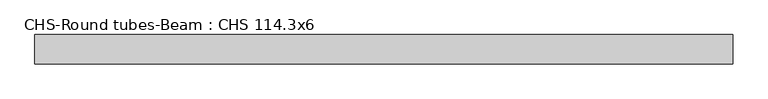
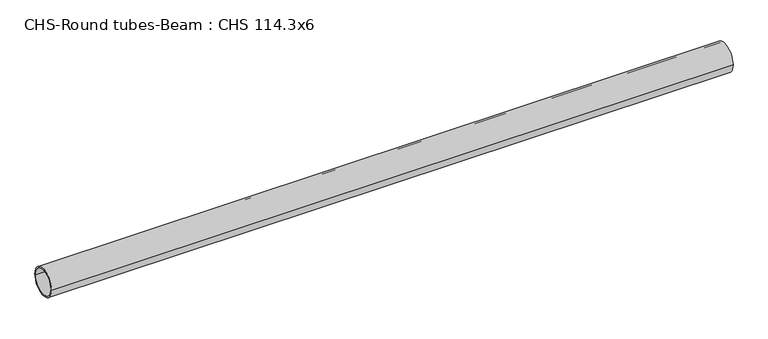
"""IFC4 building model written with IfcOpenShell, lengths in millimetres: beam geometry, CHS-Round tubes-Beam : CHS 114.3x6."""

import ifcopenshell
import ifcopenshell.guid

model = None  # the IFC model being written
_history = None  # IfcOwnerHistory: only IFC2X3 demands one
_inside = {}  # id of a spatial element -> (the spatial element, [elements in it])
_under = {}  # id of a project, library or spatial element -> (it, [spatial elements below it])
_declared = {}  # id of a project -> (the project, [libraries it declares])
_typed = {}  # id of a type object -> (the type object, [elements of that type])
_made_of = {}  # id of a material, layer set ... -> (it, [elements and type objects made of it])


def new_model(schema):
    """Start an empty IFC model of exactly this schema.

    Asked for "IFC4X3", IfcOpenShell would pick the latest addendum, in which some entities
    have other attributes; the version numbers below select the first issue.
    IFC2X3 requires an IfcOwnerHistory on every rooted entity: one is made here for all.
    """
    global model, _history
    if schema == "IFC4X3":
        model = ifcopenshell.file(schema_version=(4, 3, 0, 0))
    else:
        model = ifcopenshell.file(schema=schema)
    _inside.clear()
    _under.clear()
    _declared.clear()
    _typed.clear()
    _made_of.clear()
    _history = None
    if model.schema == "IFC2X3":
        org = make("IfcOrganization", Name="unknown")
        user = make(
            "IfcPersonAndOrganization",
            ThePerson=make("IfcPerson", FamilyName="unknown"),
            TheOrganization=org,
        )
        app = make(
            "IfcApplication",
            ApplicationDeveloper=org,
            Version="unknown",
            ApplicationFullName="unknown",
            ApplicationIdentifier="unknown",
        )
        _history = make(
            "IfcOwnerHistory",
            OwningUser=user,
            OwningApplication=app,
            ChangeAction="ADDED",
            CreationDate=0,
        )
    return model


def make(cls, **values):
    """One entity of the class cls with the attributes given. An attribute that is None is left unset."""
    return model.create_entity(
        cls, **{name: value for name, value in values.items() if value is not None}
    )


def rooted(cls, **values):
    """An entity with a GlobalId (a new one), such as an element, a storey or a relation."""
    return make(cls, GlobalId=ifcopenshell.guid.new(), OwnerHistory=_history, **values)


def si_unit(unit_type, name, prefix=None):
    """IfcSIUnit, for example si_unit("LENGTHUNIT", "METRE", prefix="MILLI")."""
    return make("IfcSIUnit", UnitType=unit_type, Prefix=prefix, Name=name)


def assignment(units):
    """IfcUnitAssignment: the units of a project."""
    return None if units is None else make("IfcUnitAssignment", Units=units)


def point(xyz):
    """IfcCartesianPoint."""
    return None if xyz is None else make("IfcCartesianPoint", Coordinates=xyz)


def direction(xyz):
    """IfcDirection."""
    return None if xyz is None else make("IfcDirection", DirectionRatios=xyz)


def frame(location, z_axis=None, x_axis=None):
    """IfcAxis2Placement3D, a coordinate frame: its origin and axes. An axis left out is left unset."""
    return make(
        "IfcAxis2Placement3D",
        Location=point(location),
        Axis=direction(z_axis),
        RefDirection=direction(x_axis),
    )


def frame_2d(location, x_axis=None):
    """IfcAxis2Placement2D, a coordinate frame in the plane: its origin and x axis."""
    return make(
        "IfcAxis2Placement2D", Location=point(location), RefDirection=direction(x_axis)
    )


def origin():
    """The frame at (0, 0, 0) with its axes left unset."""
    return frame((0.0, 0.0, 0.0))


def origin_2d():
    """The frame at (0, 0) in the plane with its x axis left unset."""
    return frame_2d((0.0, 0.0))


def place(relative_to, where):
    """IfcLocalPlacement: puts the frame where relative to a parent placement (None: the world)."""
    return make(
        "IfcLocalPlacement", PlacementRelTo=relative_to, RelativePlacement=where
    )


def context(
    kind, dimensions, precision=None, world=None, true_north=None, identifier=None
):
    """IfcGeometricRepresentationContext, for example the 3D "Model" context."""
    return make(
        "IfcGeometricRepresentationContext",
        ContextIdentifier=identifier,
        ContextType=kind,
        CoordinateSpaceDimension=dimensions,
        Precision=precision,
        WorldCoordinateSystem=world,
        TrueNorth=true_north,
    )


def project(units=None, contexts=None):
    """IfcProject with its units and contexts."""
    return rooted(
        "IfcProject",
        Name="project",
        RepresentationContexts=contexts,
        UnitsInContext=assignment(units),
    )


def spatial(cls, under=None, at=None, **own):
    """A site, building, storey or space (cls), placed at a placement, below another one or the project."""
    s = rooted(cls, ObjectPlacement=at, **own)
    if under is not None:
        _under.setdefault(under.id(), (under, []))[1].append(s)
    return s


def circle_curve(where, radius):
    """IfcCircle in the frame where."""
    return make("IfcCircle", Position=where, Radius=radius)


def trimmed(basis, trim1, trim2, sense, master):
    """IfcTrimmedCurve: the piece of a basis curve between two trims."""
    return make(
        "IfcTrimmedCurve",
        BasisCurve=basis,
        Trim1=trim1,
        Trim2=trim2,
        SenseAgreement=sense,
        MasterRepresentation=master,
    )


def segment(curve, same_sense, transition):
    """IfcCompositeCurveSegment."""
    return make(
        "IfcCompositeCurveSegment",
        Transition=transition,
        SameSense=same_sense,
        ParentCurve=curve,
    )


def composite_curve(segments, self_intersect=None):
    """IfcCompositeCurve: segments joined end to end."""
    return make("IfcCompositeCurve", Segments=segments, SelfIntersect=self_intersect)


def outline(outer, holes=None, kind="AREA"):
    """IfcArbitraryClosedProfileDef: a profile drawn as a closed curve; with holes, ...WithVoids."""
    if holes is None:
        return make("IfcArbitraryClosedProfileDef", ProfileType=kind, OuterCurve=outer)
    return make(
        "IfcArbitraryProfileDefWithVoids",
        ProfileType=kind,
        OuterCurve=outer,
        InnerCurves=holes,
    )


def extrude(swept, where, along, depth):
    """IfcExtrudedAreaSolid: the profile swept, set in the frame where, extruded along a direction by depth."""
    return make(
        "IfcExtrudedAreaSolid",
        SweptArea=swept,
        Position=where,
        ExtrudedDirection=direction(along),
        Depth=depth,
    )


def shape(context_of_items, identifier, shape_type, items):
    """IfcShapeRepresentation: the items that make up one representation, for example the "Body"."""
    return make(
        "IfcShapeRepresentation",
        ContextOfItems=context_of_items,
        RepresentationIdentifier=identifier,
        RepresentationType=shape_type,
        Items=items,
    )


def source(mapping_origin, context_of_items, identifier, shape_type, items):
    """IfcRepresentationMap: a shape defined once, which mapped items show again and again."""
    return make(
        "IfcRepresentationMap",
        MappingOrigin=mapping_origin,
        MappedRepresentation=shape(context_of_items, identifier, shape_type, items),
    )


def transform(
    local_origin,
    x_axis=None,
    y_axis=None,
    z_axis=None,
    scale=None,
    scale2=None,
    scale3=None,
    uniform=True,
):
    """IfcCartesianTransformationOperator3D, or its non-uniform kind. x_axis, y_axis, z_axis: its Axis1, 2, 3."""
    if uniform:
        return make(
            "IfcCartesianTransformationOperator3D",
            Axis1=direction(x_axis),
            Axis2=direction(y_axis),
            LocalOrigin=point(local_origin),
            Scale=scale,
            Axis3=direction(z_axis),
        )
    return make(
        "IfcCartesianTransformationOperator3DnonUniform",
        Axis1=direction(x_axis),
        Axis2=direction(y_axis),
        LocalOrigin=point(local_origin),
        Scale=scale,
        Axis3=direction(z_axis),
        Scale2=scale2,
        Scale3=scale3,
    )


def mapped(mapping_source, mapping_target):
    """IfcMappedItem: shows the shape of a source again, moved by a transform."""
    return make(
        "IfcMappedItem", MappingSource=mapping_source, MappingTarget=mapping_target
    )


def made_of(thing, what):
    """Note that an element or type object is made of a material, layer set ...; save() writes the relation."""
    if what is not None:
        _made_of.setdefault(what.id(), (what, []))[1].append(thing)
    return thing


def element(
    cls,
    number,
    at=None,
    inside=None,
    cuts=None,
    type_object=None,
    material=None,
    context=None,
    identifier="Body",
    shape_type=None,
    held_by="IfcProductDefinitionShape",
    body=None,
    shapes=None,
    **own,
):
    """One element of the class cls, such as IfcWall. Its Tag is "e" and its number.

    at: its placement. inside: the storey or other place that contains it. cuts: it is an
    opening in that element (IfcRelVoidsElement). A single representation is given by context,
    identifier, shape_type and body (its items); several are given by shapes. held_by: the class
    of the entity that holds the representations. save() writes the other relations.
    """
    e = rooted(cls, Tag="e%d" % number, ObjectPlacement=at, **own)
    if body is not None:
        shapes = [shape(context, identifier, shape_type, body)]
    if shapes is not None:
        e.Representation = make(held_by, Representations=shapes)
    if inside is not None:
        _inside.setdefault(inside.id(), (inside, []))[1].append(e)
    if cuts is not None:
        rooted(
            "IfcRelVoidsElement", RelatingBuildingElement=cuts, RelatedOpeningElement=e
        )
    if type_object is not None:
        _typed.setdefault(type_object.id(), (type_object, []))[1].append(e)
    return made_of(e, material)


def aggregate(whole, parts):
    """IfcRelAggregates: a whole, such as a stair, and the parts it consists of."""
    return rooted("IfcRelAggregates", RelatingObject=whole, RelatedObjects=parts)


def save(model, path):
    """Write the relations noted so far, then the file.

    IfcRelAggregates (storeys below a building ...), IfcRelContainedInSpatialStructure (elements
    in a storey), IfcRelDefinesByType, IfcRelAssociatesMaterial and IfcRelDeclares: one each for
    every whole, place, type object, material and project.
    """
    for whole, parts in _under.values():
        aggregate(whole, parts)
    for where, things in _inside.values():
        rooted(
            "IfcRelContainedInSpatialStructure",
            RelatedElements=things,
            RelatingStructure=where,
        )
    for kind, things in _typed.values():
        rooted("IfcRelDefinesByType", RelatedObjects=things, RelatingType=kind)
    for what, things in _made_of.values():
        rooted("IfcRelAssociatesMaterial", RelatedObjects=things, RelatingMaterial=what)
    for by, libraries in _declared.values():
        rooted("IfcRelDeclares", RelatingContext=by, RelatedDefinitions=libraries)
    model.write(path)


def chs_round_tubes_beam_chs_114_3x6_f469fe4a(model_context):
    return source(origin(), model_context, "Body", "SweptSolid", [
        extrude(outline(composite_curve([segment(trimmed(circle_curve(origin_2d(), 57.15), [point((57.15, 0.0))], [point((-57.15, 0.0))], False, "CARTESIAN"), True, "CONTINUOUS"), segment(trimmed(circle_curve(origin_2d(), 57.15), [point((-57.15, 0.0))], [point((57.15, 0.0))], False, "CARTESIAN"), True, "CONTINUOUS")], self_intersect=False), holes=[composite_curve([segment(trimmed(circle_curve(origin_2d(), 51.15), [point((51.15, 0.0))], [point((-51.15, 0.0))], True, "CARTESIAN"), True, "CONTINUOUS"), segment(trimmed(circle_curve(origin_2d(), 51.15), [point((-51.15, 0.0))], [point((51.15, 0.0))], True, "CARTESIAN"), True, "CONTINUOUS")], self_intersect=False)]), frame((-1315.9377433, 0.0, 0.0), z_axis=(1.0, 0.0, 0.0), x_axis=(0.0, 1.0, 0.0)), (0.0, 0.0, 1.0), 2712.6458582),
    ])


if __name__ == "__main__":
    model = new_model("IFC4")
    model_context = context("Model", 3, world=origin())
    ifc_project = project(units=[si_unit("LENGTHUNIT", "METRE", prefix="MILLI")], contexts=[model_context])
    site = spatial("IfcSite", under=ifc_project)
    building = spatial("IfcBuilding", under=site)
    placement = place(None, origin())
    chs_round_tubes_beam_chs_114_3x6_shape = chs_round_tubes_beam_chs_114_3x6_f469fe4a(model_context)
    element("IfcBeam", 1, ObjectType="CHS-Round tubes-Beam : CHS 114.3x6", at=placement, inside=building, context=model_context, shape_type="MappedRepresentation", body=[
        mapped(chs_round_tubes_beam_chs_114_3x6_shape, transform((0.0, 0.0, 0.0), x_axis=(1.0, 0.0, 0.0), y_axis=(0.0, 1.0, 0.0), z_axis=(0.0, 0.0, 1.0))),
    ])
    save(model, "model.ifc")
